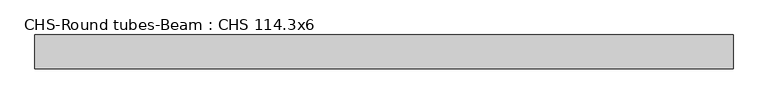
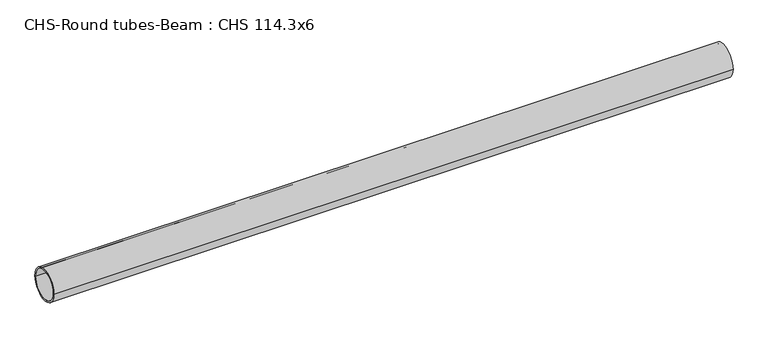
"""IFC4 building model written with IfcOpenShell, lengths in millimetres: beam geometry, CHS-Round tubes-Beam : CHS 114.3x6."""

from ifc_helpers import new_model, si_unit, point, frame, origin, origin_2d, place, context, project, spatial, circle_curve, trimmed, segment, composite_curve, outline, extrude, source, transform, mapped, element, save


def chs_round_tubes_beam_chs_114_3x6_3baedd79(model_context):
    return source(origin(), model_context, "Body", "SweptSolid", [
        extrude(outline(composite_curve([segment(trimmed(circle_curve(origin_2d(), 57.15), [point((57.15, 0.0))], [point((-57.15, 0.0))], False, "CARTESIAN"), True, "CONTINUOUS"), segment(trimmed(circle_curve(origin_2d(), 57.15), [point((-57.15, 0.0))], [point((57.15, 0.0))], False, "CARTESIAN"), True, "CONTINUOUS")], self_intersect=False), holes=[composite_curve([segment(trimmed(circle_curve(origin_2d(), 51.15), [point((51.15, 0.0))], [point((-51.15, 0.0))], True, "CARTESIAN"), True, "CONTINUOUS"), segment(trimmed(circle_curve(origin_2d(), 51.15), [point((-51.15, 0.0))], [point((51.15, 0.0))], True, "CARTESIAN"), True, "CONTINUOUS")], self_intersect=False)]), frame((-1124.0364027, 0.0, 0.0), z_axis=(1.0, 0.0, 0.0), x_axis=(0.0, 1.0, 0.0)), (0.0, 0.0, 1.0), 2368.8113011),
    ])


if __name__ == "__main__":
    model = new_model("IFC4")
    model_context = context("Model", 3, world=origin())
    ifc_project = project(units=[si_unit("LENGTHUNIT", "METRE", prefix="MILLI")], contexts=[model_context])
    site = spatial("IfcSite", under=ifc_project)
    building = spatial("IfcBuilding", under=site)
    placement = place(None, origin())
    chs_round_tubes_beam_chs_114_3x6_shape = chs_round_tubes_beam_chs_114_3x6_3baedd79(model_context)
    element("IfcBeam", 1, ObjectType="CHS-Round tubes-Beam : CHS 114.3x6", at=placement, inside=building, context=model_context, shape_type="MappedRepresentation", body=[
        mapped(chs_round_tubes_beam_chs_114_3x6_shape, transform((0.0, 0.0, 0.0), x_axis=(1.0, 0.0, 0.0), y_axis=(0.0, 1.0, 0.0), z_axis=(0.0, 0.0, 1.0))),
    ])
    save(model, "model.ifc")
